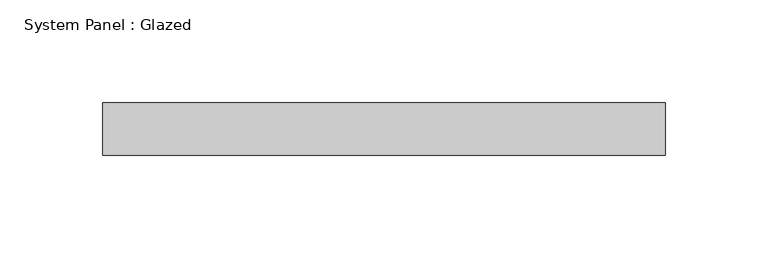
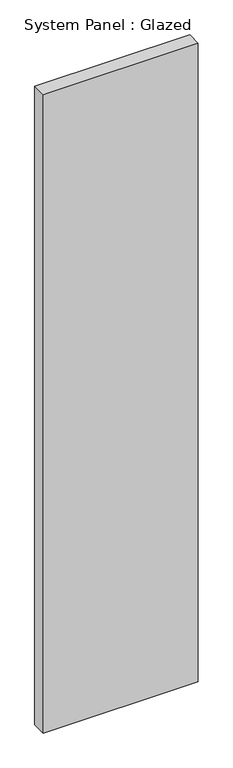
"""IFC4 building model written with IfcOpenShell, lengths in millimetres: plate geometry, System Panel : Glazed."""

from ifc_helpers import new_model, si_unit, origin, origin_with_axes, place, context, project, spatial, polyline, outline, extrude, source, transform, mapped, element, save


def system_panel_glazed_7d513e83(model_context):
    return source(origin(), model_context, "Body", "SweptSolid", [
        extrude(outline(polyline([(136.525, -12.7), (-136.525, -12.7), (-136.525, 12.7), (136.525, 12.7), (136.525, -12.7)])), origin_with_axes(), (0.0, 0.0, 1.0), 1187.45),
    ])


if __name__ == "__main__":
    model = new_model("IFC4")
    model_context = context("Model", 3, world=origin())
    ifc_project = project(units=[si_unit("LENGTHUNIT", "METRE", prefix="MILLI")], contexts=[model_context])
    site = spatial("IfcSite", under=ifc_project)
    building = spatial("IfcBuilding", under=site)
    placement = place(None, origin())
    system_panel_glazed_shape = system_panel_glazed_7d513e83(model_context)
    element("IfcPlate", 1, ObjectType="System Panel : Glazed", at=placement, inside=building, context=model_context, shape_type="MappedRepresentation", body=[
        mapped(system_panel_glazed_shape, transform((0.0, 0.0, 0.0), x_axis=(1.0, 0.0, 0.0), y_axis=(0.0, 1.0, 0.0), z_axis=(0.0, 0.0, 1.0))),
    ])
    save(model, "model.ifc")
